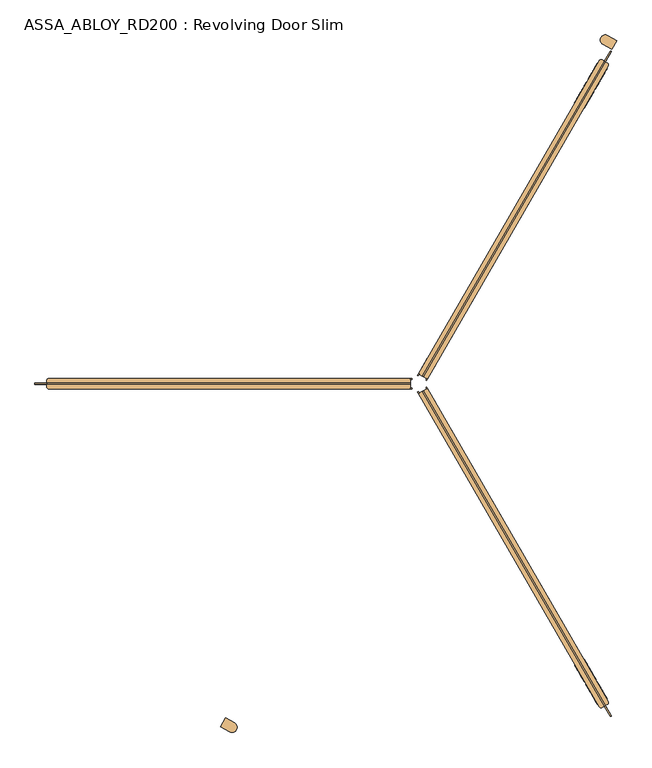
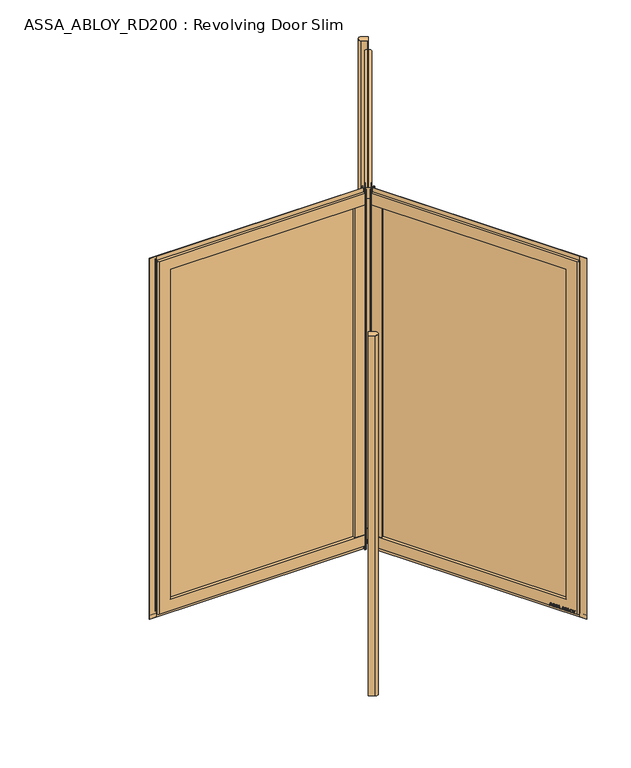
"""IFC4 building model written with IfcOpenShell, lengths in millimetres: door geometry, ASSA_ABLOY_RD200 : Revolving Door Slim."""

from ifc_helpers import new_model, si_unit, point, frame, frame_2d, origin, origin_with_axes, origin_2d, place, context, project, spatial, polyline, circle_curve, trimmed, segment, composite_curve, outline, extrude, source, transform, mapped, element, save
from ifc_brep_helpers import plane_surface, cylinder_surface, advanced_brep


def assa_abloy_rd200_revolving_door_slim_7b8b8832(model_context):
    return source(origin(), model_context, "Body", "SolidModel", [
        extrude(outline(composite_curve([segment(trimmed(circle_curve(origin_2d(), 1500.0), [point((-750.0, -1299.0381057))], [point((-715.0922698, -1318.5761433))], True, "CARTESIAN"), True, "CONTINUOUS"), segment(trimmed(circle_curve(frame_2d((-725.5459259, -1335.642735)), 20.0136823), [point((-715.0922698, -1318.5761433))], [point((-735.0991998, -1353.2291626))], False, "CARTESIAN"), True, "CONTINUOUS"), segment(trimmed(circle_curve(origin_2d(), 1540.0), [point((-735.0991998, -1353.2291626))], [point((-770.0, -1333.6791218))], False, "CARTESIAN"), True, "CONTINUOUS"), segment(polyline([(-770.0, -1333.6791218), (-750.0, -1299.0381057)]), True, "CONTINUOUS")], self_intersect=False)), origin_with_axes(), (0.0, 0.0, 1.0), 2600.0),
        extrude(outline(composite_curve([segment(trimmed(circle_curve(origin_2d(), 1500.0), [point((750.0, 1299.0381057))], [point((715.0922698, 1318.5761433))], True, "CARTESIAN"), True, "CONTINUOUS"), segment(trimmed(circle_curve(frame_2d((725.5459259, 1335.642735)), 20.0136823), [point((715.0922698, 1318.5761433))], [point((735.0991998, 1353.2291626))], False, "CARTESIAN"), True, "CONTINUOUS"), segment(trimmed(circle_curve(origin_2d(), 1540.0), [point((735.0991998, 1353.2291626))], [point((770.0, 1333.6791218))], False, "CARTESIAN"), True, "CONTINUOUS"), segment(polyline([(770.0, 1333.6791218), (750.0, 1299.0381057)]), True, "CONTINUOUS")], self_intersect=False)), origin_with_axes(), (0.0, 0.0, 1.0), 2600.0),
        advanced_brep(
        [(-0.8205081, -38.5788383, 28.0), (33.8205081, -18.5788383, 28.0), (736.3205081, -1235.3445306, 28.0), (733.3923048, -1246.2727339, 28.0), (712.6076952, -1258.2727339, 28.0), (701.6794919, -1255.3445306, 28.0), (-0.8205081, -38.5788383, 110.0), (664.6794919, -1191.2586508, 110.0), (699.3205081, -1171.2586508, 110.0), (33.8205081, -18.5788383, 110.0), (33.8205081, -18.5788383, 2489.0), (-0.8205081, -38.5788383, 2489.0), (-0.8205081, -38.5788383, 2571.0), (33.8205081, -18.5788383, 2571.0), (699.3205081, -1171.2586508, 2489.0), (664.6794919, -1191.2586508, 2489.0), (733.3923048, -1246.2727339, 2571.0), (712.6076952, -1258.2727339, 2571.0), (701.6794919, -1255.3445306, 2571.0), (736.3205081, -1235.3445306, 2571.0)],
        [
            (0, 1),
            (1, 2),
            (2, 3, circle_curve(frame((729.3923048, -1239.3445306, 28.0), z_axis=(0.0, 0.0, -1.0), x_axis=(-0.8660254037844367, -0.5000000000000033, 0.0)), 8.0)),
            (3, 4),
            (4, 5, circle_curve(frame((708.6076952, -1251.3445306, 28.0), z_axis=(0.0, 0.0, -1.0), x_axis=(-0.8660254037844367, -0.5000000000000033, 0.0)), 8.0)),
            (5, 0),
            (6, 7),
            (7, 8),
            (8, 9),
            (9, 6),
            (10, 11),
            (11, 12),
            (12, 13),
            (13, 10),
            (10, 14),
            (14, 15),
            (15, 11),
            (7, 15),
            (14, 8),
            (16, 17),
            (17, 4),
            (3, 16),
            (17, 18, circle_curve(frame((708.6076952, -1251.3445306, 2571.0), z_axis=(0.0, 0.0, -1.0), x_axis=(-0.8660254037844367, -0.5000000000000033, 0.0)), 8.0)),
            (18, 5),
            (19, 16, circle_curve(frame((729.3923048, -1239.3445306, 2571.0), z_axis=(0.0, 0.0, -1.0), x_axis=(-0.8660254037844367, -0.5000000000000033, 0.0)), 8.0)),
            (2, 19),
            (6, 0),
            (18, 12),
            (1, 9),
            (13, 19),
        ],
        [
            plane_surface(frame((664.6794919, -1191.2586508, 28.0), z_axis=(0.0, 0.0, -1.0), x_axis=(-0.5000000000000033, 0.8660254037844367, 0.0))),
            plane_surface(frame((699.3205081, -1171.2586508, 110.0), z_axis=(0.0, 0.0, 1.0), x_axis=(-0.5000000000000033, 0.8660254037844367, 0.0))),
            plane_surface(frame((16.5, -28.5788383, 2571.0), z_axis=(-0.5000000000000033, 0.8660254037844367, 0.0), x_axis=(-0.8660254037844367, -0.5000000000000033, 0.0))),
            plane_surface(frame((33.8205081, -18.5788383, 2489.0), z_axis=(0.0, 0.0, -1.0), x_axis=(0.5000000000000033, -0.8660254037844367, 0.0))),
            plane_surface(frame((699.3205081, -1171.2586508, 2571.0), z_axis=(-0.5000000000000033, 0.8660254037844367, 0.0), x_axis=(0.0, 0.0, -1.0))),
            plane_surface(frame((712.6076952, -1258.2727339, 2571.0), z_axis=(0.5000000000000033, -0.8660254037844367, 0.0), x_axis=(0.0, 0.0, -1.0))),
            cylinder_surface(frame((708.6076952, -1251.3445306, 2571.0), z_axis=(0.0, 0.0, 1.0), x_axis=(-0.8660254037844367, -0.5000000000000033, 0.0)), 8.0),
            cylinder_surface(frame((729.3923048, -1239.3445306, 2571.0), z_axis=(0.0, 0.0, 1.0), x_axis=(-0.8660254037844367, -0.5000000000000033, 0.0)), 8.0),
            plane_surface(frame((664.6794919, -1191.2586508, 110.0), z_axis=(-0.8660254037844367, -0.5000000000000033, 0.0), x_axis=(-0.5000000000000033, 0.8660254037844367, 0.0))),
            plane_surface(frame((699.3205081, -1171.2586508, 28.0), z_axis=(0.8660254037844367, 0.5000000000000033, 0.0), x_axis=(-0.5000000000000033, 0.8660254037844367, 0.0))),
            plane_surface(frame((16.5, -28.5788383, 28.0), z_axis=(-0.5000000000000033, 0.8660254037844367, 0.0), x_axis=(-0.8660254037844367, -0.5000000000000033, 0.0))),
            plane_surface(frame((723.0, -1252.2727339, 2571.0), z_axis=(0.0, 0.0, 1.0), x_axis=(-0.8660254037844367, -0.5000000000000033, 0.0))),
        ],
        [
            (0, [[1, 2, 3, 4, 5, 6]]),
            (1, [[7, 8, 9, 10]]),
            (2, [[11, 12, 13, 14]]),
            (3, [[-11, 15, 16, 17]]),
            (4, [[-8, 18, -16, 19]]),
            (5, [[20, 21, -4, 22]]),
            (6, [[23, 24, -5, -21]]),
            (7, [[25, -22, -3, 26]]),
            (8, [[-7, 27, -6, -24, 28, -12, -17, -18]]),
            (9, [[29, -9, -19, -15, -14, 30, -26, -2]]),
            (10, [[-27, -10, -29, -1]]),
            (11, [[-28, -23, -20, -25, -30, -13]]),
        ],
    ),
        extrude(outline(polyline([(31.2224319, -20.0788383), (27.7224319, -14.0166605), (30.3205081, -12.5166605), (33.8205081, -18.5788383), (31.2224319, -20.0788383)])), origin_with_axes(), (0.0, 0.0, 1.0), 2600.0),
        extrude(outline(polyline([(68.8205081, -79.2006166), (34.1794919, -99.2006166), (-0.8205081, -38.5788383), (33.8205081, -18.5788383), (68.8205081, -79.2006166)])), frame((0.0, 0.0, 110.0), z_axis=(0.0, 0.0, 1.0), x_axis=(1.0, 0.0, 0.0)), (0.0, 0.0, 1.0), 2379.0),
        extrude(outline(polyline([(744.4844586, -1292.9849007), (721.4844586, -1253.1477321), (724.5155414, -1251.3977356), (747.5155414, -1291.2349042), (744.4844586, -1292.9849007)])), origin_with_axes(), (0.0, 0.0, 1.0), 2600.0),
        extrude(outline(polyline([(744.4844586, -1292.9849007), (14.9844586, -29.4538366), (18.0155414, -27.7038401), (747.5155414, -1291.2349042), (744.4844586, -1292.9849007)])), frame((0.0, 0.0, 2570.0), z_axis=(0.0, 0.0, 1.0), x_axis=(1.0, 0.0, 0.0)), (0.0, 0.0, 1.0), 30.0),
        extrude(outline(polyline([(-1.7224319, -31.0166605), (1.7775681, -37.0788383), (-0.8205081, -38.5788383), (-4.3205081, -32.5166605), (-1.7224319, -31.0166605)])), origin_with_axes(), (0.0, 0.0, 1.0), 2600.0),
        extrude(outline(polyline([(680.4844586, -1182.133649), (49.9844586, -90.0756148), (53.0155414, -88.3256183), (683.5155414, -1180.3836525), (680.4844586, -1182.133649)])), frame((0.0, 0.0, 110.0), z_axis=(0.0, 0.0, 1.0), x_axis=(1.0, 0.0, 0.0)), (0.0, 0.0, 1.0), 2379.0),
        extrude(outline(polyline([(744.4844586, -1292.9849007), (14.9844586, -29.4538366), (18.0155414, -27.7038401), (747.5155414, -1291.2349042), (744.4844586, -1292.9849007)])), frame((0.0, 0.0, -2.0), z_axis=(0.0, 0.0, 1.0), x_axis=(1.0, 0.0, 0.0)), (0.0, 0.0, 1.0), 30.0),
        extrude(outline(polyline([(21.1919362, 0.0), (20.214336, -2.6529929), (14.2348715, -2.5853724), (11.2716326, -10.6269536), (15.8652681, -14.4554102), (14.8894584, -17.1035442), (-1.2354289, -3.3526834), (0.0, 0.0), (21.1919362, 0.0)]), holes=[polyline([(11.7626281, -2.5849675), (1.6611384, -2.5160752), (9.3848751, -9.0376682), (11.7626281, -2.5849675)])]), frame((724.7045871, -1215.2251653, 47.8848654), z_axis=(0.8660254037844431, 0.499999999999992, 0.0), x_axis=(-0.17288098849125136, 0.299438655729584, -0.9383222555567717)), (0.0, 0.0, 1.0), 2.0),
        extrude(outline(polyline([(3.5121291, -1e-07), (5.4926863, -1.2764387), (6.787432, -3.3659463), (7.2092232, -6.1919012), (6.5093631, -9.6341389), (4.8247981, -13.2083906), (2.5145629, -16.157079), (-0.6567352, -15.0446471), (2.4447822, -12.1320669), (4.3562345, -8.7636201), (4.8029446, -4.7524081), (2.9863484, -2.6252693), (0.9295188, -2.6144293), (-0.6628891, -4.2207409), (-1.8238571, -6.2006453), (-3.0893834, -8.4786224), (-6.2388816, -11.6844271), (-9.9996043, -11.7673438), (-13.1300796, -8.3561656), (-12.7977466, -2.5981571), (-11.0920114, 1.0208017), (-9.0699596, 3.7111349), (-6.0403681, 2.648411), (-8.71119, 0.0484616), (-10.6514742, -3.4882218), (-11.0208469, -7.16163), (-9.3614355, -9.1814983), (-7.3063201, -9.1972245), (-5.5118808, -7.3434953), (-4.250422, -5.1162244), (-2.8187321, -2.6852579), (0.0, 0.0), (3.5121291, -1e-07)])), frame((712.8396918, -1194.6745638, 36.999973), z_axis=(0.8660254037844434, 0.49999999999999223, 0.0), x_axis=(-0.1655035508100835, 0.2866605588361279, -0.9436282629706536)), (0.0, 0.0, 1.0), 2.0),
        extrude(outline(polyline([(3.5121291, -1e-07), (5.4926863, -1.2764388), (6.787432, -3.3659463), (7.2092232, -6.1919012), (6.5093631, -9.6341389), (4.8247981, -13.2083906), (2.5145629, -16.157079), (-0.6567352, -15.0446471), (2.4447822, -12.1320669), (4.3562345, -8.7636201), (4.8029446, -4.7524081), (2.9863484, -2.6252693), (0.9295188, -2.6144294), (-0.6628891, -4.2207409), (-1.8238571, -6.2006453), (-3.0893834, -8.4786224), (-6.2388816, -11.6844271), (-9.9996043, -11.7673438), (-13.1300796, -8.3561656), (-12.7977466, -2.5981572), (-11.0920114, 1.0208017), (-9.0699596, 3.7111349), (-6.0403681, 2.648411), (-8.71119, 0.0484616), (-10.6514742, -3.4882218), (-11.0208469, -7.16163), (-9.3614355, -9.1814983), (-7.3063201, -9.1972246), (-5.5118808, -7.3434953), (-4.250422, -5.1162244), (-2.8187321, -2.6852579), (0.0, 0.0), (3.5121291, -1e-07)])), frame((703.3943807, -1178.3148051, 36.999973), z_axis=(0.8660254037844434, 0.49999999999999223, 0.0), x_axis=(-0.1655035508100835, 0.2866605588361279, -0.9436282629706536)), (0.0, 0.0, 1.0), 2.0),
        extrude(outline(polyline([(21.1919362, 0.0), (20.214336, -2.6529929), (14.2348715, -2.5853724), (11.2716326, -10.6269536), (15.8652681, -14.4554102), (14.8894584, -17.1035442), (-1.2354289, -3.3526834), (0.0, 0.0), (21.1919362, 0.0)]), holes=[polyline([(11.7626281, -2.5849675), (1.6611384, -2.5160753), (9.3848751, -9.0376682), (11.7626281, -2.5849675)])]), frame((696.3686538, -1166.1458892, 47.8848654), z_axis=(0.8660254037844431, 0.499999999999992, 0.0), x_axis=(-0.17288098849125136, 0.299438655729584, -0.9383222555567717)), (0.0, 0.0, 1.0), 2.0),
        extrude(outline(polyline([(21.1919362, 0.0), (20.214336, -2.6529929), (14.2348715, -2.5853723), (11.2716326, -10.6269536), (15.8652681, -14.4554102), (14.8894584, -17.1035442), (-1.2354289, -3.3526834), (0.0, 0.0), (21.1919362, 0.0)]), holes=[polyline([(11.7626281, -2.5849675), (1.6611384, -2.5160753), (9.3848751, -9.0376682), (11.7626281, -2.5849675)])]), frame((682.1178336, -1141.4627445, 47.8848654), z_axis=(0.8660254037844431, 0.499999999999992, 0.0), x_axis=(-0.17288098849125136, 0.299438655729584, -0.9383222555567717)), (0.0, 0.0, 1.0), 2.0),
        extrude(outline(polyline([(3.6247797, 0.0), (5.9232413, -1.3859292), (7.2049821, -3.4426963), (7.5842828, -6.2202288), (6.8194358, -9.6251298), (4.5055294, -16.4081519), (-14.3144162, -9.9880648), (-12.3716711, -4.2930708), (-11.1479956, -1.1951535), (-9.8352433, 0.5920774), (-7.9241126, 1.6554025), (-5.7320771, 1.441087), (-3.7068839, -0.0321766), (-2.8147562, -2.4211002), (0.0, 0.0), (3.6247797, 0.0)]), holes=[polyline([(-5.2214253, -2.9241786), (-9.3653605, -2.9303687), (-10.1960736, -5.1008933), (-11.2627443, -8.2277488), (-5.9304264, -10.0467735), (-4.7734732, -6.6552625), (-5.2214253, -2.9241786)]), polyline([(2.8765907, -2.5461078), (0.9746905, -2.291247), (-0.5832315, -3.1932875), (-1.5099769, -4.5787396), (-2.347091, -6.7279309), (-3.734766, -10.7957837), (3.1658807, -13.1498156), (4.336209, -9.7190964), (5.1175974, -6.8751817), (5.1102534, -4.8838351), (4.3679308, -3.4351117), (2.8765907, -2.5461078)])]), frame((669.9254076, -1120.3448433, 37.561824), z_axis=(0.8660254037844433, 0.4999999999999922, 0.0), x_axis=(-0.1614314953418267, 0.27960755187386827, -0.9464457138403681)), (0.0, 0.0, 1.0), 2.0),
        extrude(outline(polyline([(2.319901, 0.0), (2.319901, -12.5937481), (-17.5649644, -12.5937481), (-17.5649644, -9.9424327), (0.0, -9.9424327), (0.0, 0.0), (2.319901, 0.0)])), frame((661.2206006, -1105.2676753, 30.319901), z_axis=(0.8660254037844433, 0.49999999999999206, 0.0), x_axis=(0.0, 0.0, -1.0)), (0.0, 0.0, 1.0), 2.0),
        extrude(outline(polyline([(3.4755122, 0.0), (6.8343334, -1.6217536), (9.8417791, -4.8358203), (11.7934803, -8.7947163), (12.1283676, -12.475947), (10.9175763, -15.7640054), (8.2007387, -18.4707048), (4.7147758, -20.0502835), (1.2097864, -20.048671), (-2.1257686, -18.4422905), (-5.1361655, -15.2239686), (-7.0812775, -11.3109181), (-7.4345587, -7.5668216), (-6.1998493, -4.2905332), (-3.5095376, -1.5864763), (0.0, 0.0), (3.4755122, 0.0)]), holes=[polyline([(7.663169, -6.3468237), (2.8864763, -2.494471), (-2.1788994, -3.4868578), (-4.8960978, -7.8921765), (-2.9575554, -13.7129652), (1.8513939, -17.5618518), (6.887121, -16.5585186), (9.5892894, -12.1951337), (7.663169, -6.3468237)])]), frame((653.9437238, -1092.6637549, 47.5197917), z_axis=(0.8660254037844433, 0.49999999999999206, 0.0), x_axis=(-0.41085457557085175, 0.7116209994108772, -0.5699070721880538)), (0.0, 0.0, 1.0), 2.0),
        extrude(outline(polyline([(3.1691504, 0.0), (-4.1219669, -11.1645234), (-4.1219669, -19.8848654), (-6.7732823, -19.8848654), (-6.7732823, -11.4441543), (-14.0643996, 0.0), (-10.921141, 0.0), (-5.4320895, -8.8964059), (0.0, 0.0), (3.1691504, 0.0)])), frame((643.417432, -1074.4316828, 47.8848654), z_axis=(0.8660254037844433, 0.49999999999999206, 0.0), x_axis=(-0.49999999999999206, 0.8660254037844433, 0.0)), (0.0, 0.0, 1.0), 2.0),
        extrude(outline(polyline([(-21.1919362, 0.0), (0.0, 0.0), (1.2354289, -3.3526834), (-14.8894584, -17.1035442), (-15.8652681, -14.4554102), (-11.2716326, -10.6269536), (-14.2348715, -2.5853724), (-20.214336, -2.6529929), (-21.1919362, 0.0)]), holes=[polyline([(-11.7626281, -2.5849675), (-9.3848751, -9.0376682), (-1.6611384, -2.5160752), (-11.7626281, -2.5849675)])]), frame((611.2414181, -1102.7011918, 47.8848654), z_axis=(0.86602540378444, 0.49999999999999767, 0.0), x_axis=(-0.17288098849125333, 0.299438655729583, 0.9383222555567716)), (0.0, 0.0, 1.0), 2.0),
        extrude(outline(polyline([(-3.5121291, -1e-07), (0.0, 0.0), (2.8187321, -2.6852579), (4.250422, -5.1162245), (5.5118808, -7.3434953), (7.3063201, -9.1972246), (9.3614355, -9.1814983), (11.0208469, -7.1616301), (10.6514742, -3.4882218), (8.71119, 0.0484616), (6.0403681, 2.648411), (9.0699596, 3.7111349), (11.0920114, 1.0208016), (12.7977466, -2.5981572), (13.1300796, -8.3561656), (9.9996043, -11.7673439), (6.2388816, -11.6844271), (3.0893834, -8.4786224), (1.8238571, -6.2006453), (0.6628891, -4.2207409), (-0.9295188, -2.6144294), (-2.9863484, -2.6252693), (-4.8029446, -4.7524082), (-4.3562345, -8.7636201), (-2.4447822, -12.1320669), (0.6567353, -15.0446472), (-2.5145629, -16.1570791), (-4.824798, -13.2083907), (-6.5093631, -9.6341389), (-7.2092231, -6.1919012), (-6.787432, -3.3659464), (-5.4926863, -1.2764387), (-3.5121291, -1e-07)])), frame((623.1063134, -1123.2517933, 36.999973), z_axis=(0.86602540378444, 0.4999999999999977, 0.0), x_axis=(-0.16550355081008533, 0.28666055883612684, 0.9436282629706536)), (0.0, 0.0, 1.0), 2.0),
        extrude(outline(polyline([(-3.5121291, -1e-07), (0.0, 0.0), (2.8187321, -2.6852579), (4.250422, -5.1162245), (5.5118808, -7.3434953), (7.3063201, -9.1972246), (9.3614355, -9.1814983), (11.0208469, -7.1616301), (10.6514742, -3.4882218), (8.71119, 0.0484616), (6.0403681, 2.648411), (9.0699596, 3.7111349), (11.0920114, 1.0208016), (12.7977466, -2.5981572), (13.1300796, -8.3561656), (9.9996043, -11.7673439), (6.2388816, -11.6844271), (3.0893834, -8.4786224), (1.8238571, -6.2006453), (0.6628891, -4.2207409), (-0.9295188, -2.6144294), (-2.9863484, -2.6252693), (-4.8029446, -4.7524082), (-4.3562345, -8.7636201), (-2.4447822, -12.1320669), (0.6567353, -15.0446472), (-2.5145629, -16.1570791), (-4.824798, -13.2083907), (-6.5093631, -9.6341389), (-7.2092231, -6.1919012), (-6.787432, -3.3659464), (-5.4926863, -1.2764388), (-3.5121291, -1e-07)])), frame((632.5516245, -1139.611552, 36.999973), z_axis=(0.86602540378444, 0.4999999999999977, 0.0), x_axis=(-0.16550355081008533, 0.28666055883612684, 0.9436282629706536)), (0.0, 0.0, 1.0), 2.0),
        extrude(outline(polyline([(-21.1919362, 0.0), (0.0, 0.0), (1.2354289, -3.3526834), (-14.8894584, -17.1035441), (-15.8652681, -14.4554102), (-11.2716326, -10.6269536), (-14.2348715, -2.5853723), (-20.214336, -2.6529929), (-21.1919362, 0.0)]), holes=[polyline([(-11.7626281, -2.5849674), (-9.3848751, -9.0376682), (-1.6611384, -2.5160753), (-11.7626281, -2.5849674)])]), frame((639.5773513, -1151.7804679, 47.8848654), z_axis=(0.86602540378444, 0.49999999999999767, 0.0), x_axis=(-0.17288098849125333, 0.299438655729583, 0.9383222555567716)), (0.0, 0.0, 1.0), 2.0),
        extrude(outline(polyline([(-21.1919362, 0.0), (0.0, 0.0), (1.2354289, -3.3526834), (-14.8894584, -17.1035442), (-15.8652681, -14.4554102), (-11.2716326, -10.6269536), (-14.2348715, -2.5853724), (-20.214336, -2.6529929), (-21.1919362, 0.0)]), holes=[polyline([(-11.7626281, -2.5849675), (-9.3848751, -9.0376682), (-1.6611384, -2.5160753), (-11.7626281, -2.5849675)])]), frame((653.8281716, -1176.4636126, 47.8848654), z_axis=(0.86602540378444, 0.49999999999999767, 0.0), x_axis=(-0.17288098849125333, 0.299438655729583, 0.9383222555567716)), (0.0, 0.0, 1.0), 2.0),
        extrude(outline(polyline([(-3.6247797, 0.0), (0.0, 0.0), (2.8147562, -2.4211002), (3.7068839, -0.0321766), (5.7320771, 1.441087), (7.9241126, 1.6554025), (9.8352432, 0.5920774), (11.1479955, -1.1951534), (12.3716711, -4.2930708), (14.3144162, -9.9880647), (-4.5055294, -16.4081518), (-6.8194358, -9.6251298), (-7.5842828, -6.2202288), (-7.2049821, -3.4426962), (-5.9232413, -1.3859292), (-3.6247797, 0.0)]), holes=[polyline([(5.2214252, -2.9241786), (4.7734732, -6.6552624), (5.9304264, -10.0467734), (11.2627443, -8.2277488), (10.1960736, -5.1008933), (9.3653605, -2.9303687), (5.2214252, -2.9241786)]), polyline([(-2.8765907, -2.5461078), (-4.3679308, -3.4351116), (-5.1102534, -4.8838351), (-5.1175975, -6.8751817), (-4.3362091, -9.7190964), (-3.1658807, -13.1498156), (3.734766, -10.7957836), (2.347091, -6.7279308), (1.5099769, -4.5787396), (0.5832315, -3.1932875), (-0.9746905, -2.291247), (-2.8765907, -2.5461078)])]), frame((666.0205975, -1197.5815138, 37.561824), z_axis=(0.8660254037844402, 0.4999999999999977, 0.0), x_axis=(-0.1614314953418285, 0.2796075518738672, 0.9464457138403681)), (0.0, 0.0, 1.0), 2.0),
        extrude(outline(polyline([(-2.319901, 0.0), (0.0, 0.0), (0.0, -9.9424327), (17.5649644, -9.9424327), (17.5649644, -12.5937481), (-2.319901, -12.5937481), (-2.319901, 0.0)])), frame((674.7254045, -1212.6586818, 30.319901), z_axis=(0.86602540378444, 0.49999999999999767, 0.0), x_axis=(0.0, 0.0, 1.0)), (0.0, 0.0, 1.0), 2.0),
        extrude(outline(polyline([(-3.4755122, 0.0), (0.0, 0.0), (3.5095376, -1.5864763), (6.1998493, -4.2905332), (7.4345587, -7.5668217), (7.0812776, -11.3109182), (5.1361655, -15.2239686), (2.1257687, -18.4422905), (-1.2097864, -20.048671), (-4.7147758, -20.0502835), (-8.2007387, -18.4707048), (-10.9175762, -15.7640054), (-12.1283676, -12.475947), (-11.7934803, -8.7947163), (-9.8417791, -4.8358203), (-6.8343334, -1.6217536), (-3.4755122, 0.0)]), holes=[polyline([(-7.6631689, -6.3468237), (-9.5892894, -12.1951337), (-6.887121, -16.5585186), (-1.8513938, -17.5618518), (2.9575554, -13.7129652), (4.8960978, -7.8921765), (2.1788994, -3.4868578), (-2.8864763, -2.494471), (-7.6631689, -6.3468237)])]), frame((682.0022814, -1225.2626022, 47.5197917), z_axis=(0.8660254037844402, 0.49999999999999767, 0.0), x_axis=(-0.41085457557085897, 0.7116209994108791, 0.5699070721880464)), (0.0, 0.0, 1.0), 2.0),
        extrude(outline(polyline([(-3.1691504, 0.0), (0.0, 0.0), (5.4320895, -8.8964059), (10.921141, 0.0), (14.0643996, 0.0), (6.7732822, -11.4441543), (6.7732822, -19.8848654), (4.1219668, -19.8848654), (4.1219668, -11.1645234), (-3.1691504, 0.0)])), frame((692.5285731, -1243.4946743, 47.8848654), z_axis=(0.86602540378444, 0.49999999999999767, 0.0), x_axis=(-0.49999999999999767, 0.86602540378444, 0.0)), (0.0, 0.0, 1.0), 2.0),
        advanced_brep(
        [(33.8205081, 18.5788383, 28.0), (-0.8205081, 38.5788383, 28.0), (701.6794919, 1255.3445306, 28.0), (712.6076952, 1258.2727339, 28.0), (733.3923048, 1246.2727339, 28.0), (736.3205081, 1235.3445306, 28.0), (33.8205081, 18.5788383, 110.0), (699.3205081, 1171.2586508, 110.0), (664.6794919, 1191.2586508, 110.0), (-0.8205081, 38.5788383, 110.0), (-0.8205081, 38.5788383, 2489.0), (33.8205081, 18.5788383, 2489.0), (33.8205081, 18.5788383, 2571.0), (-0.8205081, 38.5788383, 2571.0), (664.6794919, 1191.2586508, 2489.0), (699.3205081, 1171.2586508, 2489.0), (712.6076952, 1258.2727339, 2571.0), (733.3923048, 1246.2727339, 2571.0), (736.3205081, 1235.3445306, 2571.0), (701.6794919, 1255.3445306, 2571.0)],
        [
            (0, 1),
            (1, 2),
            (2, 3, circle_curve(frame((708.6076952, 1251.3445306, 28.0), z_axis=(0.0, 0.0, -1.0), x_axis=(0.8660254037844427, -0.4999999999999929, 0.0)), 8.0)),
            (3, 4),
            (4, 5, circle_curve(frame((729.3923048, 1239.3445306, 28.0), z_axis=(0.0, 0.0, -1.0), x_axis=(0.8660254037844427, -0.4999999999999929, 0.0)), 8.0)),
            (5, 0),
            (6, 7),
            (7, 8),
            (8, 9),
            (9, 6),
            (10, 11),
            (11, 12),
            (12, 13),
            (13, 10),
            (10, 14),
            (14, 15),
            (15, 11),
            (7, 15),
            (14, 8),
            (16, 17),
            (17, 4),
            (3, 16),
            (17, 18, circle_curve(frame((729.3923048, 1239.3445306, 2571.0), z_axis=(0.0, 0.0, -1.0), x_axis=(0.8660254037844427, -0.4999999999999929, 0.0)), 8.0)),
            (18, 5),
            (19, 16, circle_curve(frame((708.6076952, 1251.3445306, 2571.0), z_axis=(0.0, 0.0, -1.0), x_axis=(0.8660254037844427, -0.4999999999999929, 0.0)), 8.0)),
            (2, 19),
            (6, 0),
            (18, 12),
            (1, 9),
            (13, 19),
        ],
        [
            plane_surface(frame((699.3205081, 1171.2586508, 28.0), z_axis=(0.0, 0.0, -1.0000000000000002), x_axis=(-0.49999999999999295, -0.8660254037844428, 0.0))),
            plane_surface(frame((664.6794919, 1191.2586508, 110.0), z_axis=(0.0, 0.0, 1.0000000000000002), x_axis=(-0.49999999999999295, -0.8660254037844428, 0.0))),
            plane_surface(frame((16.5, 28.5788383, 2571.0), z_axis=(-0.49999999999999295, -0.8660254037844428, 0.0), x_axis=(0.8660254037844428, -0.49999999999999295, 0.0))),
            plane_surface(frame((-0.8205081, 38.5788383, 2489.0), z_axis=(0.0, 0.0, -1.0000000000000002), x_axis=(0.49999999999999295, 0.8660254037844428, 0.0))),
            plane_surface(frame((664.6794919, 1191.2586508, 2571.0), z_axis=(-0.49999999999999295, -0.8660254037844428, 0.0), x_axis=(0.0, 0.0, -1.0))),
            plane_surface(frame((733.3923048, 1246.2727339, 2571.0), z_axis=(0.49999999999999295, 0.8660254037844428, 0.0), x_axis=(0.0, 0.0, -1.0))),
            cylinder_surface(frame((729.3923048, 1239.3445306, 2571.0), z_axis=(0.0, 0.0, 1.0), x_axis=(0.8660254037844427, -0.4999999999999929, 0.0)), 8.0),
            cylinder_surface(frame((708.6076952, 1251.3445306, 2571.0), z_axis=(0.0, 0.0, 1.0), x_axis=(0.8660254037844427, -0.4999999999999929, 0.0)), 8.0),
            plane_surface(frame((699.3205081, 1171.2586508, 110.0), z_axis=(0.8660254037844428, -0.49999999999999295, 0.0), x_axis=(-0.49999999999999295, -0.8660254037844428, 0.0))),
            plane_surface(frame((664.6794919, 1191.2586508, 28.0), z_axis=(-0.8660254037844428, 0.49999999999999295, 0.0), x_axis=(-0.49999999999999295, -0.8660254037844428, 0.0))),
            plane_surface(frame((16.5, 28.5788383, 28.0), z_axis=(-0.49999999999999295, -0.8660254037844428, 0.0), x_axis=(0.8660254037844428, -0.49999999999999295, 0.0))),
            plane_surface(frame((723.0, 1252.2727339, 2571.0), z_axis=(0.0, 0.0, 1.0000000000000002), x_axis=(0.8660254037844428, -0.49999999999999295, 0.0))),
        ],
        [
            (0, [[1, 2, 3, 4, 5, 6]]),
            (1, [[7, 8, 9, 10]]),
            (2, [[11, 12, 13, 14]]),
            (3, [[-11, 15, 16, 17]]),
            (4, [[-8, 18, -16, 19]]),
            (5, [[20, 21, -4, 22]]),
            (6, [[23, 24, -5, -21]]),
            (7, [[25, -22, -3, 26]]),
            (8, [[-7, 27, -6, -24, 28, -12, -17, -18]]),
            (9, [[29, -9, -19, -15, -14, 30, -26, -2]]),
            (10, [[-27, -10, -29, -1]]),
            (11, [[-28, -23, -20, -25, -30, -13]]),
        ],
    ),
        extrude(outline(polyline([(1.7775681, 37.0788383), (-1.7224319, 31.0166605), (-4.3205081, 32.5166605), (-0.8205081, 38.5788383), (1.7775681, 37.0788383)])), origin_with_axes(), (0.0, 0.0, 1.0), 2600.0),
        extrude(outline(polyline([(34.1794919, 99.2006166), (68.8205081, 79.2006166), (33.8205081, 18.5788383), (-0.8205081, 38.5788383), (34.1794919, 99.2006166)])), frame((0.0, 0.0, 110.0), z_axis=(0.0, 0.0, 1.0), x_axis=(1.0, 0.0, 0.0)), (0.0, 0.0, 1.0), 2379.0),
        extrude(outline(polyline([(747.5155414, 1291.2349042), (724.5155414, 1251.3977356), (721.4844586, 1253.1477321), (744.4844586, 1292.9849007), (747.5155414, 1291.2349042)])), origin_with_axes(), (0.0, 0.0, 1.0), 2600.0),
        extrude(outline(polyline([(747.5155414, 1291.2349042), (18.0155414, 27.7038401), (14.9844586, 29.4538366), (744.4844586, 1292.9849007), (747.5155414, 1291.2349042)])), frame((0.0, 0.0, 2570.0), z_axis=(0.0, 0.0, 1.0), x_axis=(1.0, 0.0, 0.0)), (0.0, 0.0, 1.0), 30.0),
        extrude(outline(polyline([(27.7224319, 14.0166605), (31.2224319, 20.0788383), (33.8205081, 18.5788383), (30.3205081, 12.5166605), (27.7224319, 14.0166605)])), origin_with_axes(), (0.0, 0.0, 1.0), 2600.0),
        extrude(outline(polyline([(683.5155414, 1180.3836525), (53.0155414, 88.3256183), (49.9844586, 90.0756148), (680.4844586, 1182.133649), (683.5155414, 1180.3836525)])), frame((0.0, 0.0, 110.0), z_axis=(0.0, 0.0, 1.0), x_axis=(1.0, 0.0, 0.0)), (0.0, 0.0, 1.0), 2379.0),
        extrude(outline(polyline([(747.5155414, 1291.2349042), (18.0155414, 27.7038401), (14.9844586, 29.4538366), (744.4844586, 1292.9849007), (747.5155414, 1291.2349042)])), frame((0.0, 0.0, -2.0), z_axis=(0.0, 0.0, 1.0), x_axis=(1.0, 0.0, 0.0)), (0.0, 0.0, 1.0), 30.0),
        extrude(outline(polyline([(21.1919362, 0.0), (20.214336, -2.6529929), (14.2348715, -2.5853724), (11.2716326, -10.6269536), (15.8652681, -14.4554102), (14.8894584, -17.1035442), (-1.2354289, -3.3526834), (0.0, 0.0), (21.1919362, 0.0)]), holes=[polyline([(11.7626281, -2.5849675), (1.6611384, -2.5160752), (9.3848751, -9.0376682), (11.7626281, -2.5849675)])]), frame((690.0635709, 1235.2251653, 47.8848654), z_axis=(-0.8660254037844363, 0.5000000000000041, 0.0), x_axis=(-0.17288098849125552, -0.2994386557295816, -0.9383222555567717)), (0.0, 0.0, 1.0), 2.0),
        extrude(outline(polyline([(3.5121291, -1e-07), (5.4926863, -1.2764387), (6.787432, -3.3659464), (7.2092231, -6.1919012), (6.5093631, -9.6341389), (4.824798, -13.2083907), (2.5145629, -16.1570791), (-0.6567353, -15.0446472), (2.4447822, -12.1320669), (4.3562345, -8.7636201), (4.8029446, -4.7524082), (2.9863484, -2.6252693), (0.9295188, -2.6144294), (-0.6628891, -4.2207409), (-1.8238571, -6.2006453), (-3.0893834, -8.4786224), (-6.2388816, -11.6844271), (-9.9996043, -11.7673439), (-13.1300796, -8.3561656), (-12.7977466, -2.5981572), (-11.0920114, 1.0208016), (-9.0699596, 3.7111349), (-6.0403681, 2.648411), (-8.71119, 0.0484616), (-10.6514742, -3.4882218), (-11.0208469, -7.1616301), (-9.3614355, -9.1814983), (-7.3063201, -9.1972246), (-5.5118808, -7.3434953), (-4.250422, -5.1162245), (-2.8187321, -2.6852579), (0.0, 0.0), (3.5121291, -1e-07)])), frame((678.1986756, 1214.6745638, 36.999973), z_axis=(-0.8660254037844363, 0.5000000000000042, 0.0), x_axis=(-0.16550355081008747, -0.2866605588361255, -0.9436282629706536)), (0.0, 0.0, 1.0), 2.0),
        extrude(outline(polyline([(3.5121291, -1e-07), (5.4926863, -1.2764387), (6.787432, -3.3659463), (7.2092232, -6.1919012), (6.5093631, -9.6341389), (4.8247981, -13.2083906), (2.5145629, -16.157079), (-0.6567352, -15.0446471), (2.4447822, -12.1320669), (4.3562345, -8.76362), (4.8029446, -4.7524081), (2.9863484, -2.6252692), (0.9295188, -2.6144293), (-0.6628891, -4.2207408), (-1.8238571, -6.2006452), (-3.0893834, -8.4786224), (-6.2388815, -11.6844271), (-9.9996043, -11.7673438), (-13.1300796, -8.3561655), (-12.7977466, -2.5981571), (-11.0920114, 1.0208017), (-9.0699595, 3.711135), (-6.0403681, 2.6484111), (-8.71119, 0.0484616), (-10.6514742, -3.4882218), (-11.0208469, -7.16163), (-9.3614355, -9.1814983), (-7.3063201, -9.1972246), (-5.5118808, -7.3434953), (-4.250422, -5.1162244), (-2.818732, -2.6852579), (0.0, 0.0), (3.5121291, -1e-07)])), frame((668.7533646, 1198.3148051, 36.999973), z_axis=(-0.8660254037844363, 0.5000000000000042, 0.0), x_axis=(-0.16550355081008747, -0.2866605588361255, -0.9436282629706536)), (0.0, 0.0, 1.0), 2.0),
        extrude(outline(polyline([(21.1919362, 0.0), (20.214336, -2.6529929), (14.2348715, -2.5853723), (11.2716326, -10.6269536), (15.8652681, -14.4554102), (14.8894584, -17.1035441), (-1.2354289, -3.3526834), (0.0, 0.0), (21.1919362, 0.0)]), holes=[polyline([(11.7626281, -2.5849674), (1.6611384, -2.5160753), (9.3848751, -9.0376682), (11.7626281, -2.5849674)])]), frame((661.7276377, 1186.1458892, 47.8848654), z_axis=(-0.8660254037844363, 0.5000000000000041, 0.0), x_axis=(-0.17288098849125552, -0.2994386557295816, -0.9383222555567717)), (0.0, 0.0, 1.0), 2.0),
        extrude(outline(polyline([(21.1919362, 0.0), (20.214336, -2.6529929), (14.2348715, -2.5853724), (11.2716326, -10.6269536), (15.8652681, -14.4554102), (14.8894584, -17.1035442), (-1.2354289, -3.3526834), (0.0, 0.0), (21.1919362, 0.0)]), holes=[polyline([(11.7626281, -2.5849675), (1.6611384, -2.5160753), (9.3848751, -9.0376682), (11.7626281, -2.5849675)])]), frame((647.4768174, 1161.4627445, 47.8848654), z_axis=(-0.8660254037844363, 0.5000000000000041, 0.0), x_axis=(-0.17288098849125552, -0.2994386557295816, -0.9383222555567717)), (0.0, 0.0, 1.0), 2.0),
        extrude(outline(polyline([(3.6247797, 0.0), (5.9232413, -1.3859292), (7.2049821, -3.4426962), (7.5842828, -6.2202288), (6.8194358, -9.6251298), (4.5055294, -16.4081518), (-14.3144162, -9.9880647), (-12.3716711, -4.2930708), (-11.1479955, -1.1951534), (-9.8352432, 0.5920774), (-7.9241126, 1.6554025), (-5.7320771, 1.441087), (-3.7068839, -0.0321766), (-2.8147562, -2.4211002), (0.0, 0.0), (3.6247797, 0.0)]), holes=[polyline([(-5.2214252, -2.9241786), (-9.3653605, -2.9303687), (-10.1960736, -5.1008933), (-11.2627443, -8.2277488), (-5.9304264, -10.0467734), (-4.7734732, -6.6552624), (-5.2214252, -2.9241786)]), polyline([(2.8765907, -2.5461078), (0.9746905, -2.291247), (-0.5832315, -3.1932875), (-1.5099769, -4.5787396), (-2.347091, -6.7279308), (-3.734766, -10.7957836), (3.1658807, -13.1498156), (4.3362091, -9.7190963), (5.1175975, -6.8751817), (5.1102534, -4.8838351), (4.3679308, -3.4351117), (2.8765907, -2.5461078)])]), frame((635.2843915, 1140.3448433, 37.561824), z_axis=(-0.8660254037844363, 0.5000000000000042, 0.0), x_axis=(-0.16143149534183057, -0.279607551873866, -0.9464457138403681)), (0.0, 0.0, 1.0), 2.0),
        extrude(outline(polyline([(2.319901, 0.0), (2.319901, -12.5937481), (-17.5649644, -12.5937481), (-17.5649644, -9.9424327), (0.0, -9.9424327), (0.0, 0.0), (2.319901, 0.0)])), frame((626.5795845, 1125.2676753, 30.319901), z_axis=(-0.8660254037844363, 0.5000000000000042, 0.0), x_axis=(0.0, 0.0, -1.0)), (0.0, 0.0, 1.0), 2.0),
        extrude(outline(polyline([(3.4755122, 0.0), (6.8343334, -1.6217536), (9.8417791, -4.8358203), (11.7934803, -8.7947163), (12.1283676, -12.475947), (10.9175762, -15.7640054), (8.2007387, -18.4707048), (4.7147758, -20.0502835), (1.2097864, -20.048671), (-2.1257687, -18.4422905), (-5.1361655, -15.2239686), (-7.0812776, -11.3109182), (-7.4345587, -7.5668217), (-6.1998493, -4.2905332), (-3.5095376, -1.5864763), (0.0, 0.0), (3.4755122, 0.0)]), holes=[polyline([(7.6631689, -6.3468237), (2.8864763, -2.494471), (-2.1788994, -3.4868578), (-4.8960978, -7.8921765), (-2.9575554, -13.7129652), (1.8513938, -17.5618518), (6.887121, -16.5585186), (9.5892894, -12.1951337), (7.6631689, -6.3468237)])]), frame((619.3027076, 1112.6637549, 47.5197917), z_axis=(-0.8660254037844363, 0.5000000000000042, 0.0), x_axis=(-0.41085457557086175, -0.7116209994108714, -0.5699070721880538)), (0.0, 0.0, 1.0), 2.0),
        extrude(outline(polyline([(3.1691504, 0.0), (-4.1219668, -11.1645234), (-4.1219668, -19.8848654), (-6.7732822, -19.8848654), (-6.7732822, -11.4441543), (-14.0643996, 0.0), (-10.921141, 0.0), (-5.4320895, -8.8964059), (0.0, 0.0), (3.1691504, 0.0)])), frame((608.7764159, 1094.4316828, 47.8848654), z_axis=(-0.8660254037844363, 0.5000000000000042, 0.0), x_axis=(-0.5000000000000042, -0.8660254037844363, 0.0)), (0.0, 0.0, 1.0), 2.0),
        extrude(outline(polyline([(-21.1919362, 0.0), (0.0, 0.0), (1.2354289, -3.3526834), (-14.8894584, -17.1035441), (-15.8652681, -14.4554102), (-11.2716326, -10.6269536), (-14.2348715, -2.5853723), (-20.214336, -2.6529929), (-21.1919362, 0.0)]), holes=[polyline([(-11.7626281, -2.5849674), (-9.3848751, -9.0376682), (-1.6611384, -2.5160752), (-11.7626281, -2.5849674)])]), frame((649.3465358, 1080.7011918, 47.8848654), z_axis=(-0.8660254037844394, 0.49999999999999856, 0.0), x_axis=(-0.17288098849125366, -0.29943865572958284, 0.9383222555567716)), (0.0, 0.0, 1.0), 2.0),
        extrude(outline(polyline([(-3.5121291, -1e-07), (0.0, 0.0), (2.8187321, -2.6852579), (4.250422, -5.1162244), (5.5118808, -7.3434953), (7.3063201, -9.1972246), (9.3614355, -9.1814983), (11.0208469, -7.16163), (10.6514742, -3.4882218), (8.71119, 0.0484616), (6.0403681, 2.648411), (9.0699596, 3.7111349), (11.0920114, 1.0208017), (12.7977466, -2.5981571), (13.1300796, -8.3561656), (9.9996043, -11.7673438), (6.2388815, -11.6844271), (3.0893834, -8.4786224), (1.8238571, -6.2006452), (0.6628891, -4.2207408), (-0.9295188, -2.6144293), (-2.9863484, -2.6252692), (-4.8029446, -4.7524081), (-4.3562345, -8.7636201), (-2.4447822, -12.1320669), (0.6567352, -15.0446471), (-2.5145629, -16.157079), (-4.8247981, -13.2083906), (-6.5093631, -9.6341389), (-7.2092232, -6.1919012), (-6.787432, -3.3659463), (-5.4926863, -1.2764387), (-3.5121291, -1e-07)])), frame((661.2114311, 1101.2517933, 36.999973), z_axis=(-0.8660254037844394, 0.4999999999999986, 0.0), x_axis=(-0.16550355081008566, -0.2866605588361266, 0.9436282629706537)), (0.0, 0.0, 1.0), 2.0),
        extrude(outline(polyline([(-3.5121291, -1e-07), (0.0, 0.0), (2.8187321, -2.6852579), (4.250422, -5.1162244), (5.5118808, -7.3434953), (7.3063201, -9.1972246), (9.3614355, -9.1814983), (11.0208469, -7.16163), (10.6514742, -3.4882218), (8.71119, 0.0484616), (6.0403681, 2.648411), (9.0699596, 3.7111349), (11.0920114, 1.0208017), (12.7977466, -2.5981571), (13.1300796, -8.3561656), (9.9996043, -11.7673438), (6.2388816, -11.6844271), (3.0893834, -8.4786224), (1.8238571, -6.2006452), (0.6628891, -4.2207408), (-0.9295188, -2.6144293), (-2.9863484, -2.6252692), (-4.8029446, -4.7524081), (-4.3562345, -8.7636201), (-2.4447822, -12.1320669), (0.6567352, -15.0446471), (-2.5145629, -16.157079), (-4.8247981, -13.2083906), (-6.5093631, -9.6341389), (-7.2092232, -6.1919012), (-6.787432, -3.3659463), (-5.4926863, -1.2764388), (-3.5121291, -1e-07)])), frame((670.6567422, 1117.611552, 36.999973), z_axis=(-0.8660254037844394, 0.4999999999999986, 0.0), x_axis=(-0.16550355081008566, -0.2866605588361266, 0.9436282629706537)), (0.0, 0.0, 1.0), 2.0),
        extrude(outline(polyline([(-21.1919362, 0.0), (0.0, 0.0), (1.2354289, -3.3526834), (-14.8894584, -17.1035442), (-15.8652681, -14.4554102), (-11.2716326, -10.6269536), (-14.2348715, -2.5853724), (-20.214336, -2.6529929), (-21.1919362, 0.0)]), holes=[polyline([(-11.7626281, -2.5849675), (-9.3848751, -9.0376682), (-1.6611384, -2.5160753), (-11.7626281, -2.5849675)])]), frame((677.6824691, 1129.7804679, 47.8848654), z_axis=(-0.8660254037844394, 0.49999999999999856, 0.0), x_axis=(-0.17288098849125366, -0.29943865572958284, 0.9383222555567716)), (0.0, 0.0, 1.0), 2.0),
        extrude(outline(polyline([(-21.1919362, 0.0), (0.0, 0.0), (1.2354289, -3.3526834), (-14.8894584, -17.1035441), (-15.8652681, -14.4554102), (-11.2716326, -10.6269536), (-14.2348715, -2.5853723), (-20.214336, -2.6529929), (-21.1919362, 0.0)]), holes=[polyline([(-11.7626281, -2.5849674), (-9.3848751, -9.0376682), (-1.6611384, -2.5160753), (-11.7626281, -2.5849674)])]), frame((691.9332893, 1154.4636126, 47.8848654), z_axis=(-0.8660254037844394, 0.49999999999999856, 0.0), x_axis=(-0.17288098849125366, -0.29943865572958284, 0.9383222555567716)), (0.0, 0.0, 1.0), 2.0),
        extrude(outline(polyline([(-3.6247797, 0.0), (0.0, 0.0), (2.8147562, -2.4211002), (3.7068839, -0.0321766), (5.7320771, 1.441087), (7.9241126, 1.6554025), (9.8352433, 0.5920774), (11.1479955, -1.1951534), (12.3716711, -4.2930708), (14.3144162, -9.9880648), (-4.5055294, -16.4081519), (-6.8194358, -9.6251298), (-7.5842828, -6.2202288), (-7.2049821, -3.4426962), (-5.9232413, -1.3859292), (-3.6247797, 0.0)]), holes=[polyline([(5.2214253, -2.9241786), (4.7734732, -6.6552624), (5.9304264, -10.0467735), (11.2627443, -8.2277488), (10.1960736, -5.1008933), (9.3653605, -2.9303687), (5.2214253, -2.9241786)]), polyline([(-2.8765907, -2.5461078), (-4.3679308, -3.4351117), (-5.1102534, -4.8838351), (-5.1175975, -6.8751817), (-4.3362091, -9.7190964), (-3.1658807, -13.1498156), (3.734766, -10.7957837), (2.347091, -6.7279309), (1.5099769, -4.5787396), (0.5832315, -3.1932875), (-0.9746905, -2.291247), (-2.8765907, -2.5461078)])]), frame((704.1257153, 1175.5815138, 37.561824), z_axis=(-0.8660254037844395, 0.49999999999999867, 0.0), x_axis=(-0.16143149534182877, -0.27960755187386704, 0.9464457138403681)), (0.0, 0.0, 1.0), 2.0),
        extrude(outline(polyline([(-2.319901, 0.0), (0.0, 0.0), (0.0, -9.9424327), (17.5649644, -9.9424327), (17.5649644, -12.5937481), (-2.319901, -12.5937481), (-2.319901, 0.0)])), frame((712.8305223, 1190.6586818, 30.319901), z_axis=(-0.8660254037844395, 0.4999999999999986, 0.0), x_axis=(0.0, 0.0, 1.0)), (0.0, 0.0, 1.0), 2.0),
        extrude(outline(polyline([(-3.4755122, 0.0), (0.0, 0.0), (3.5095376, -1.5864763), (6.1998493, -4.2905332), (7.4345587, -7.5668217), (7.0812776, -11.3109182), (5.1361656, -15.2239687), (2.1257687, -18.4422905), (-1.2097864, -20.0486711), (-4.7147757, -20.0502835), (-8.2007387, -18.4707048), (-10.9175762, -15.7640054), (-12.1283676, -12.475947), (-11.7934802, -8.7947163), (-9.8417791, -4.8358203), (-6.8343334, -1.6217536), (-3.4755122, 0.0)]), holes=[polyline([(-7.6631689, -6.3468237), (-9.5892894, -12.1951337), (-6.887121, -16.5585186), (-1.8513938, -17.5618518), (2.9575554, -13.7129653), (4.8960978, -7.8921765), (2.1788994, -3.4868578), (-2.8864763, -2.494471), (-7.6631689, -6.3468237)])]), frame((720.1073992, 1203.2626022, 47.5197917), z_axis=(-0.8660254037844395, 0.49999999999999867, 0.0), x_axis=(-0.41085457557085975, -0.7116209994108786, 0.5699070721880464)), (0.0, 0.0, 1.0), 2.0),
        extrude(outline(polyline([(-3.1691504, 0.0), (0.0, 0.0), (5.4320895, -8.8964059), (10.921141, 0.0), (14.0643996, 0.0), (6.7732823, -11.4441543), (6.7732823, -19.8848654), (4.1219669, -19.8848654), (4.1219669, -11.1645234), (-3.1691504, 0.0)])), frame((730.6336909, 1221.4946743, 47.8848654), z_axis=(-0.8660254037844395, 0.4999999999999986, 0.0), x_axis=(-0.4999999999999986, -0.8660254037844395, 0.0)), (0.0, 0.0, 1.0), 2.0),
        advanced_brep(
        [(-33.0, 20.0, 28.0), (-33.0, -20.0, 28.0), (-1438.0, -20.0, 28.0), (-1446.0, -12.0, 28.0), (-1446.0, 12.0, 28.0), (-1438.0, 20.0, 28.0), (-33.0, 20.0, 110.0), (-1364.0, 20.0, 110.0), (-1364.0, -20.0, 110.0), (-33.0, -20.0, 110.0), (-33.0, -20.0, 2489.0), (-33.0, 20.0, 2489.0), (-33.0, 20.0, 2571.0), (-33.0, -20.0, 2571.0), (-1364.0, -20.0, 2489.0), (-1364.0, 20.0, 2489.0), (-1446.0, -12.0, 2571.0), (-1446.0, 12.0, 2571.0), (-1438.0, 20.0, 2571.0), (-1438.0, -20.0, 2571.0)],
        [
            (0, 1),
            (1, 2),
            (2, 3, circle_curve(frame((-1438.0, -12.0, 28.0), z_axis=(0.0, 0.0, -1.0), x_axis=(0.0, 1.0, 0.0)), 8.0)),
            (3, 4),
            (4, 5, circle_curve(frame((-1438.0, 12.0, 28.0), z_axis=(0.0, 0.0, -1.0), x_axis=(0.0, 1.0, 0.0)), 8.0)),
            (5, 0),
            (6, 7),
            (7, 8),
            (8, 9),
            (9, 6),
            (10, 11),
            (11, 12),
            (12, 13),
            (13, 10),
            (10, 14),
            (14, 15),
            (15, 11),
            (7, 15),
            (14, 8),
            (16, 17),
            (17, 4),
            (3, 16),
            (17, 18, circle_curve(frame((-1438.0, 12.0, 2571.0), z_axis=(0.0, 0.0, -1.0), x_axis=(0.0, 1.0, 0.0)), 8.0)),
            (18, 5),
            (19, 16, circle_curve(frame((-1438.0, -12.0, 2571.0), z_axis=(0.0, 0.0, -1.0), x_axis=(0.0, 1.0, 0.0)), 8.0)),
            (2, 19),
            (6, 0),
            (18, 12),
            (1, 9),
            (13, 19),
        ],
        [
            plane_surface(frame((-1364.0, 20.0, 28.0), z_axis=(0.0, 0.0, -1.0), x_axis=(1.0, 0.0, 0.0))),
            plane_surface(frame((-1364.0, -20.0, 110.0), z_axis=(0.0, 0.0, 1.0), x_axis=(1.0, 0.0, 0.0))),
            plane_surface(frame((-33.0, 0.0, 2571.0), z_axis=(1.0, 0.0, 0.0), x_axis=(0.0, 1.0, 0.0))),
            plane_surface(frame((-33.0, -20.0, 2489.0), z_axis=(0.0, 0.0, -1.0), x_axis=(-1.0, 0.0, 0.0))),
            plane_surface(frame((-1364.0, -20.0, 2571.0), z_axis=(1.0, 0.0, 0.0), x_axis=(0.0, 0.0, -1.0))),
            plane_surface(frame((-1446.0, 12.0, 2571.0), z_axis=(-1.0, 0.0, 0.0), x_axis=(0.0, 0.0, -1.0))),
            cylinder_surface(frame((-1438.0, 12.0, 2571.0), z_axis=(0.0, 0.0, 1.0), x_axis=(0.0, 1.0, 0.0)), 8.0),
            cylinder_surface(frame((-1438.0, -12.0, 2571.0), z_axis=(0.0, 0.0, 1.0), x_axis=(0.0, 1.0, 0.0)), 8.0),
            plane_surface(frame((-1364.0, 20.0, 110.0), z_axis=(0.0, 1.0, 0.0), x_axis=(1.0, 0.0, 0.0))),
            plane_surface(frame((-1364.0, -20.0, 28.0), z_axis=(0.0, -1.0, 0.0), x_axis=(1.0, 0.0, 0.0))),
            plane_surface(frame((-33.0, 0.0, 28.0), z_axis=(1.0, 0.0, 0.0), x_axis=(0.0, 1.0, 0.0))),
            plane_surface(frame((-1446.0, 0.0, 2571.0), z_axis=(0.0, 0.0, 1.0), x_axis=(0.0, 1.0, 0.0))),
        ],
        [
            (0, [[1, 2, 3, 4, 5, 6]]),
            (1, [[7, 8, 9, 10]]),
            (2, [[11, 12, 13, 14]]),
            (3, [[-11, 15, 16, 17]]),
            (4, [[-8, 18, -16, 19]]),
            (5, [[20, 21, -4, 22]]),
            (6, [[23, 24, -5, -21]]),
            (7, [[25, -22, -3, 26]]),
            (8, [[-7, 27, -6, -24, 28, -12, -17, -18]]),
            (9, [[29, -9, -19, -15, -14, 30, -26, -2]]),
            (10, [[-27, -10, -29, -1]]),
            (11, [[-28, -23, -20, -25, -30, -13]]),
        ],
    ),
        extrude(outline(polyline([(-33.0, -17.0), (-26.0, -17.0), (-26.0, -20.0), (-33.0, -20.0), (-33.0, -17.0)])), origin_with_axes(), (0.0, 0.0, 1.0), 2600.0),
        extrude(outline(polyline([(-103.0, -20.0), (-103.0, 20.0), (-33.0, 20.0), (-33.0, -20.0), (-103.0, -20.0)])), frame((0.0, 0.0, 110.0), z_axis=(0.0, 0.0, 1.0), x_axis=(1.0, 0.0, 0.0)), (0.0, 0.0, 1.0), 2379.0),
        extrude(outline(polyline([(-1492.0, 1.7499965), (-1446.0, 1.7499965), (-1446.0, -1.7499965), (-1492.0, -1.7499965), (-1492.0, 1.7499965)])), origin_with_axes(), (0.0, 0.0, 1.0), 2600.0),
        extrude(outline(polyline([(-1492.0, 1.7499965), (-33.0, 1.7499965), (-33.0, -1.7499965), (-1492.0, -1.7499965), (-1492.0, 1.7499965)])), frame((0.0, 0.0, 2570.0), z_axis=(0.0, 0.0, 1.0), x_axis=(1.0, 0.0, 0.0)), (0.0, 0.0, 1.0), 30.0),
        extrude(outline(polyline([(-26.0, 17.0), (-33.0, 17.0), (-33.0, 20.0), (-26.0, 20.0), (-26.0, 17.0)])), origin_with_axes(), (0.0, 0.0, 1.0), 2600.0),
        extrude(outline(polyline([(-1364.0, 1.7499965), (-103.0, 1.7499965), (-103.0, -1.7499965), (-1364.0, -1.7499965), (-1364.0, 1.7499965)])), frame((0.0, 0.0, 110.0), z_axis=(0.0, 0.0, 1.0), x_axis=(1.0, 0.0, 0.0)), (0.0, 0.0, 1.0), 2379.0),
        extrude(outline(polyline([(-1492.0, 1.7499965), (-33.0, 1.7499965), (-33.0, -1.7499965), (-1492.0, -1.7499965), (-1492.0, 1.7499965)])), frame((0.0, 0.0, -2.0), z_axis=(0.0, 0.0, 1.0), x_axis=(1.0, 0.0, 0.0)), (0.0, 0.0, 1.0), 30.0),
    ])


if __name__ == "__main__":
    model = new_model("IFC4")
    model_context = context("Model", 3, world=origin())
    ifc_project = project(units=[si_unit("LENGTHUNIT", "METRE", prefix="MILLI")], contexts=[model_context])
    site = spatial("IfcSite", under=ifc_project)
    building = spatial("IfcBuilding", under=site)
    placement = place(None, origin())
    assa_abloy_rd200_revolving_door_slim_shape = assa_abloy_rd200_revolving_door_slim_7b8b8832(model_context)
    element("IfcDoor", 1, ObjectType="ASSA_ABLOY_RD200 : Revolving Door Slim", at=placement, inside=building, context=model_context, shape_type="MappedRepresentation", body=[
        mapped(assa_abloy_rd200_revolving_door_slim_shape, transform((0.0, 0.0, 0.0), x_axis=(1.0, 0.0, 0.0), y_axis=(0.0, 1.0, 0.0), z_axis=(0.0, 0.0, 1.0))),
    ])
    save(model, "model.ifc")
